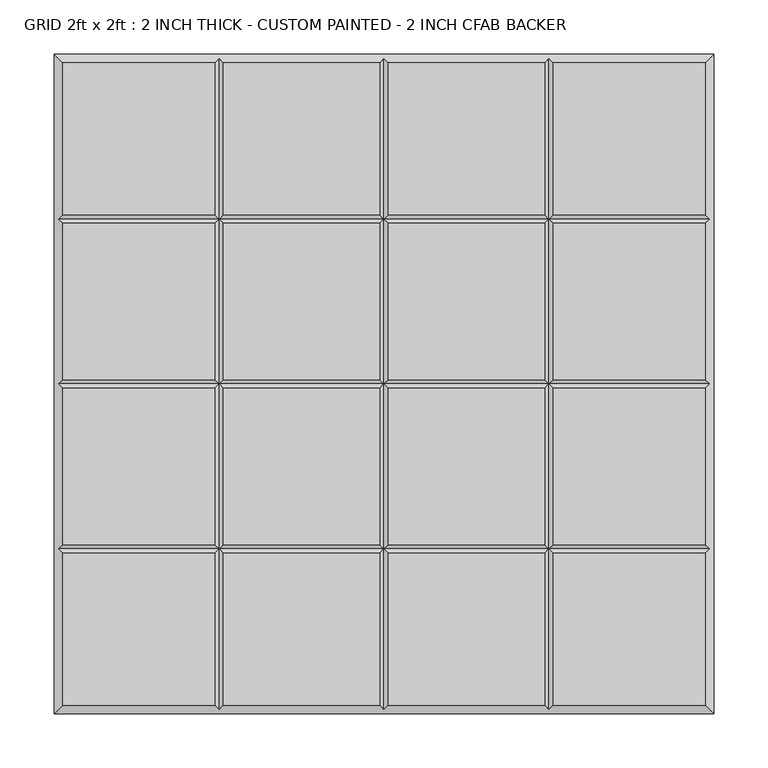
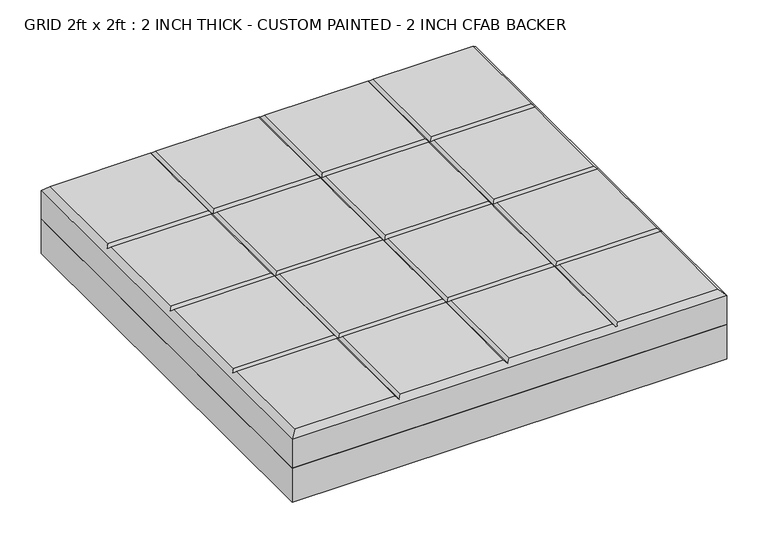
"""IFC4 building model written with IfcOpenShell, lengths in millimetres: proxy geometry, GRID 2ft x 2ft : 2 INCH THICK - CUSTOM PAINTED - 2 INCH CFAB BACKER."""

from ifc_helpers import new_model, si_unit, frame, origin, place, context, project, spatial, polyline, outline, extrude, faceted_brep, source, transform, mapped, element, save


def grid_2ft_x_2ft_2_inch_thick_custom_painted_2_inch_cfab_562e9c5f(model_context):
    return source(origin(), model_context, "Body", "SolidModel", [
        extrude(outline(polyline([(-304.8, 304.8), (304.8, 304.8), (304.8, -304.8), (-304.8, -304.8), (-304.8, 304.8)])), frame((0.0, 0.0, -50.8), z_axis=(0.0, 0.0, 1.0), x_axis=(1.0, 0.0, 0.0)), (0.0, 0.0, 1.0), 50.8),
        faceted_brep([(-156.4009826, 296.799, 50.8), (-296.799, 296.799, 50.8), (-296.799, 156.4005254, 50.8), (-156.4009826, 156.4005254, 50.8), (-296.799, -296.799, 50.8), (-156.4009826, -296.799, 50.8), (-156.4009826, -156.4004746, 50.8), (-296.799, -156.4004746, 50.8), (-4.0004746, 296.799, 50.8), (-148.3999826, 296.799, 50.8), (-148.3999826, 156.4005254, 50.8), (-4.0004746, 156.4005254, 50.8), (-148.3999826, -296.799, 50.8), (-4.0004746, -296.799, 50.8), (-4.0004746, -156.4004746, 50.8), (-148.3999826, -156.4004746, 50.8), (296.799, 296.799, 50.8), (156.4010334, 296.799, 50.8), (156.4010334, 156.4005254, 50.8), (296.799, 156.4005254, 50.8), (148.4000334, 296.799, 50.8), (4.0005254, 296.799, 50.8), (4.0005254, 156.4005254, 50.8), (148.4000334, 156.4005254, 50.8), (156.4010334, -296.799, 50.8), (296.799, -296.799, 50.8), (296.799, -156.4004746, 50.8), (156.4010334, -156.4004746, 50.8), (4.0005254, -296.799, 50.8), (148.4000334, -296.799, 50.8), (148.4000334, -156.4004746, 50.8), (4.0005254, -156.4004746, 50.8), (-156.4009826, 148.3995254, 50.8), (-296.799, 148.3995254, 50.8), (-296.799, 4.0005254, 50.8), (-156.4009826, 4.0005254, 50.8), (296.799, 148.3995254, 50.8), (156.4010334, 148.3995254, 50.8), (156.4010334, 4.0005254, 50.8), (296.799, 4.0005254, 50.8), (-4.0004746, 148.3995254, 50.8), (-148.3999826, 148.3995254, 50.8), (-148.3999826, 4.0005254, 50.8), (-4.0004746, 4.0005254, 50.8), (148.4000334, 148.3995254, 50.8), (4.0005254, 148.3995254, 50.8), (4.0005254, 4.0005254, 50.8), (148.4000334, 4.0005254, 50.8), (-296.799, -148.3994746, 50.8), (-156.4009826, -148.3994746, 50.8), (-156.4009826, -4.0004746, 50.8), (-296.799, -4.0004746, 50.8), (-148.3999826, -148.3994746, 50.8), (-4.0004746, -148.3994746, 50.8), (-4.0004746, -4.0004746, 50.8), (-148.3999826, -4.0004746, 50.8), (156.4010334, -148.3994746, 50.8), (296.799, -148.3994746, 50.8), (296.799, -4.0004746, 50.8), (156.4010334, -4.0004746, 50.8), (4.0005254, -148.3994746, 50.8), (148.4000334, -148.3994746, 50.8), (148.4000334, -4.0004746, 50.8), (4.0005254, -4.0004746, 50.8), (-304.8, 304.8, 0.0), (304.8, 304.8, 0.0), (304.8, -304.8, 0.0), (-304.8, -304.8, 0.0), (-304.8, -304.8, 42.799), (-304.8, 304.8, 42.799), (304.8, -304.8, 42.799), (304.8, 304.8, 42.799), (-152.4004826, 300.7995, 46.7995), (2.54e-05, 300.7995, 46.7995), (152.4005334, 300.7995, 46.7995), (-300.7995, -152.3999746, 46.7995), (-300.7995, 2.54e-05, 46.7995), (-300.7995, 152.4000254, 46.7995), (152.4005334, -300.7995, 46.7995), (2.54e-05, -300.7995, 46.7995), (-152.4004826, -300.7995, 46.7995), (300.7995, 152.4000254, 46.7995), (300.7995, 2.54e-05, 46.7995), (300.7995, -152.3999746, 46.7995), (-152.4004826, 152.4000254, 46.7995), (-152.4004826, -152.3999746, 46.7995), (-152.4004826, 2.54e-05, 46.7995), (2.54e-05, 152.4000254, 46.7995), (2.54e-05, -152.3999746, 46.7995), (2.54e-05, 2.54e-05, 46.7995), (152.4005334, 152.4000254, 46.7995), (152.4005334, -152.3999746, 46.7995), (152.4005334, 2.54e-05, 46.7995)], [[[0, 1, 2, 3]], [[4, 5, 6, 7]], [[8, 9, 10, 11]], [[12, 13, 14, 15]], [[16, 17, 18, 19]], [[20, 21, 22, 23]], [[24, 25, 26, 27]], [[28, 29, 30, 31]], [[32, 33, 34, 35]], [[36, 37, 38, 39]], [[40, 41, 42, 43]], [[44, 45, 46, 47]], [[48, 49, 50, 51]], [[52, 53, 54, 55]], [[56, 57, 58, 59]], [[60, 61, 62, 63]], [[64, 65, 66, 67]], [[64, 67, 68, 69]], [[67, 66, 70, 68]], [[66, 65, 71, 70]], [[65, 64, 69, 71]], [[69, 1, 0, 72, 9, 8, 73, 21, 20, 74, 17, 16, 71]], [[1, 69, 68, 4, 7, 75, 48, 51, 76, 34, 33, 77, 2]], [[4, 68, 70, 25, 24, 78, 29, 28, 79, 13, 12, 80, 5]], [[71, 16, 19, 81, 36, 39, 82, 58, 57, 83, 26, 25, 70]], [[9, 72, 84, 10]], [[80, 12, 15, 85]], [[41, 84, 86, 42]], [[85, 52, 55, 86]], [[72, 0, 3, 84]], [[5, 80, 85, 6]], [[84, 32, 35, 86]], [[49, 85, 86, 50]], [[21, 73, 87, 22]], [[79, 28, 31, 88]], [[45, 87, 89, 46]], [[88, 60, 63, 89]], [[73, 8, 11, 87]], [[13, 79, 88, 14]], [[87, 40, 43, 89]], [[53, 88, 89, 54]], [[17, 74, 90, 18]], [[78, 24, 27, 91]], [[37, 90, 92, 38]], [[91, 56, 59, 92]], [[74, 20, 23, 90]], [[29, 78, 91, 30]], [[90, 44, 47, 92]], [[61, 91, 92, 62]], [[87, 84, 41, 40]], [[90, 87, 45, 44]], [[84, 77, 33, 32]], [[81, 90, 37, 36]], [[84, 87, 11, 10]], [[87, 90, 23, 22]], [[77, 84, 3, 2]], [[90, 81, 19, 18]], [[88, 85, 15, 14]], [[91, 88, 31, 30]], [[85, 75, 7, 6]], [[83, 91, 27, 26]], [[85, 88, 53, 52]], [[88, 91, 61, 60]], [[75, 85, 49, 48]], [[91, 83, 57, 56]], [[89, 86, 55, 54]], [[92, 89, 63, 62]], [[86, 76, 51, 50]], [[82, 92, 59, 58]], [[86, 89, 43, 42]], [[89, 92, 47, 46]], [[76, 86, 35, 34]], [[92, 82, 39, 38]]]),
    ])


if __name__ == "__main__":
    model = new_model("IFC4")
    model_context = context("Model", 3, world=origin())
    ifc_project = project(units=[si_unit("LENGTHUNIT", "METRE", prefix="MILLI")], contexts=[model_context])
    site = spatial("IfcSite", under=ifc_project)
    building = spatial("IfcBuilding", under=site)
    placement = place(None, origin())
    grid_2ft_x_2ft_2_inch_thick_custom_painted_2_inch_cfab_shape = grid_2ft_x_2ft_2_inch_thick_custom_painted_2_inch_cfab_562e9c5f(model_context)
    element("IfcBuildingElementProxy", 1, Name="GRID 2ft x 2ft : 2 INCH THICK - CUSTOM PAINTED - 2 INCH CFAB BACKER", ObjectType="GRID 2ft x 2ft : 2 INCH THICK - CUSTOM PAINTED - 2 INCH CFAB BACKER", at=placement, inside=building, context=model_context, shape_type="MappedRepresentation", body=[
        mapped(grid_2ft_x_2ft_2_inch_thick_custom_painted_2_inch_cfab_shape, transform((0.0, 0.0, 0.0), x_axis=(1.0, 0.0, 0.0), y_axis=(0.0, 1.0, 0.0), z_axis=(0.0, 0.0, 1.0))),
    ])
    save(model, "model.ifc")
